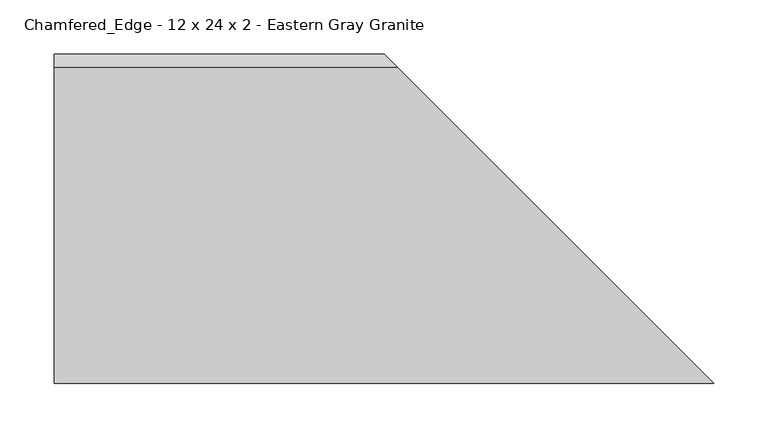
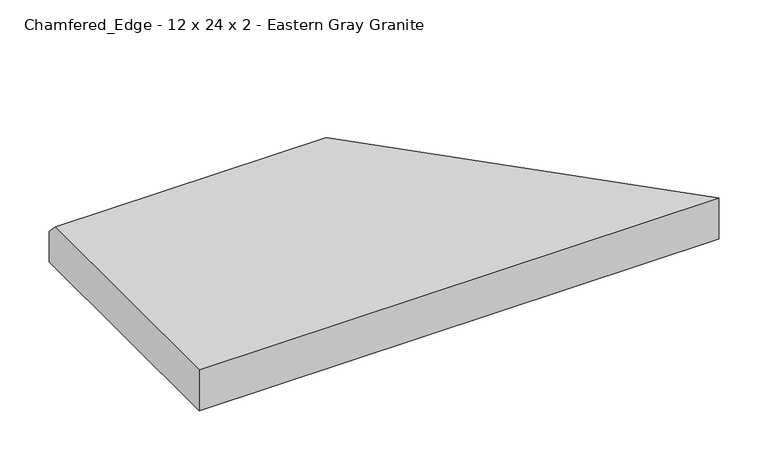
"""IFC4 building model written with IfcOpenShell, lengths in millimetres: proxy geometry, Chamfered_Edge - 12 x 24 x 2 - Eastern Gray Granite."""

from ifc_helpers import new_model, si_unit, origin, place, context, project, spatial, faceted_brep, source, transform, mapped, element, save


def chamfered_edge_12_x_24_x_2_eastern_gray_granite_c21cba0f(model_context):
    return source(origin(), model_context, "Body", "Brep", [
        faceted_brep([(0.0, 304.8, 0.0), (0.0, 0.0, 0.0), (0.0, 0.0, 50.8), (0.0, 292.1, 50.8), (0.0, 304.8, 38.1), (609.6, 0.0, 50.8), (317.5, 292.1, 50.8), (609.6, 0.0, 0.0), (304.8, 304.8, 0.0), (304.8, 304.8, 38.1)], [[[0, 1, 2, 3, 4]], [[2, 5, 6, 3]], [[1, 7, 5, 2]], [[0, 8, 7, 1]], [[4, 9, 8, 0]], [[3, 6, 9, 4]], [[5, 7, 8, 9, 6]]]),
    ])


if __name__ == "__main__":
    model = new_model("IFC4")
    model_context = context("Model", 3, world=origin())
    ifc_project = project(units=[si_unit("LENGTHUNIT", "METRE", prefix="MILLI")], contexts=[model_context])
    site = spatial("IfcSite", under=ifc_project)
    building = spatial("IfcBuilding", under=site)
    placement = place(None, origin())
    chamfered_edge_12_x_24_x_2_eastern_gray_granite_shape = chamfered_edge_12_x_24_x_2_eastern_gray_granite_c21cba0f(model_context)
    element("IfcBuildingElementProxy", 1, Name="Chamfered_Edge - 12 x 24 x 2 - Eastern Gray Granite", ObjectType="Chamfered_Edge - 12 x 24 x 2 - Eastern Gray Granite", at=placement, inside=building, context=model_context, shape_type="MappedRepresentation", body=[
        mapped(chamfered_edge_12_x_24_x_2_eastern_gray_granite_shape, transform((0.0, 0.0, 0.0), x_axis=(1.0, 0.0, 0.0), y_axis=(0.0, 1.0, 0.0), z_axis=(0.0, 0.0, 1.0))),
    ])
    save(model, "model.ifc")
